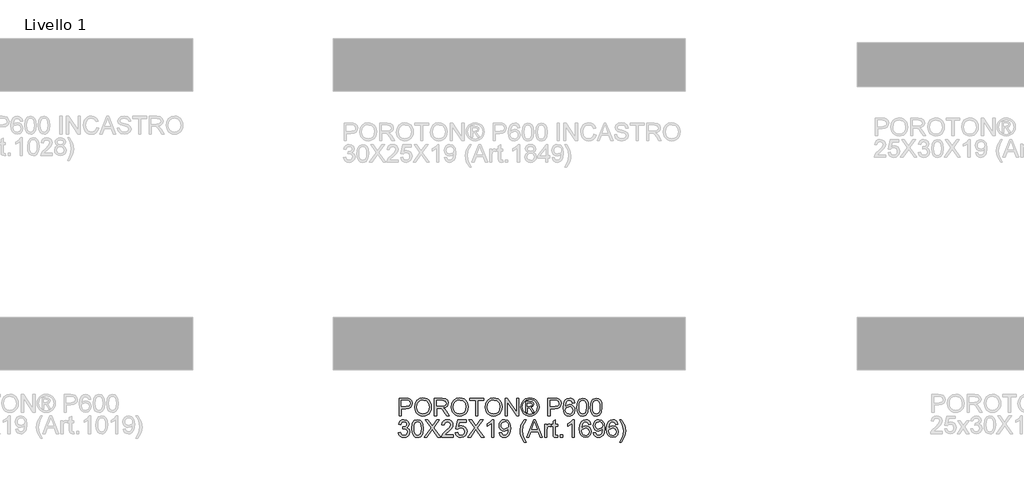
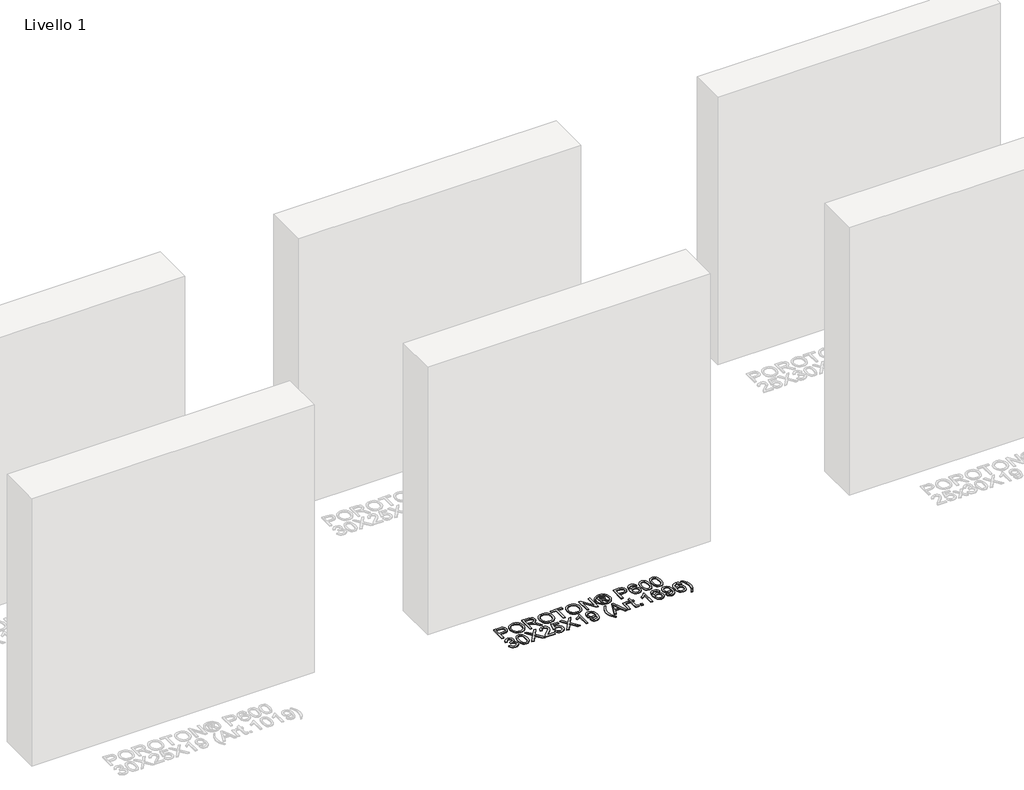
# One storey, part 4 of 11: 1 proxy.
"""IFC4 building model written with IfcOpenShell, lengths in millimetres."""

from ifc_helpers import new_model, si_unit, origin, origin_with_axes, place, context, project, spatial, polyline, outline, extrude, element, save

model = new_model("IFC4")

# Units and contexts
model_context = context("Model", 3, world=origin())
ifc_project = project(units=[si_unit("LENGTHUNIT", "METRE", prefix="MILLI")], contexts=[model_context])

# Site, building, storey
site = spatial("IfcSite", under=ifc_project)
building = spatial("IfcBuilding", under=site)
storey = spatial("IfcBuildingStorey", under=building, Name="Livello 1", Elevation=0.0)

# Proxy
placement = place(None, origin())
element("IfcBuildingElementProxy", 1, Name="100", ObjectType="100", at=placement, inside=storey, context=model_context, shape_type="SweptSolid", body=[
    extrude(outline(polyline([(-1910.8155503, 876.8304313), (-1910.8155503, 977.2867415), (-1873.5858923, 977.2867415), (-1858.5763069, 976.3302483), (-1846.3748874, 971.6336215), (-1838.4654245, 961.9215368), (-1835.4733176, 948.2240639), (-1837.4936029, 936.384395), (-1843.5544588, 926.5190262), (-1854.8882899, 919.860362), (-1872.727501, 917.6408073), (-1898.2585115, 917.6408073), (-1898.2585115, 876.8304313), (-1910.8155503, 876.8304313)]), holes=[polyline([(-1898.2585115, 930.1978461), (-1871.991737, 930.1978461), (-1853.4995354, 934.8086338), (-1849.3976512, 940.3575205), (-1848.0303564, 947.7826055), (-1851.2554552, 958.1814032), (-1859.7290039, 963.8713114), (-1872.2860426, 964.7297027), (-1898.2585115, 964.7297027), (-1898.2585115, 930.1978461)])]), origin_with_axes(), (0.0, 0.0, 1.0), 5.0),
    extrude(outline(polyline([(-1822.9162789, 925.7342112), (-1819.5685527, 947.9481524), (-1809.5253743, 964.7542282), (-1794.1908264, 975.3308355), (-1774.9689922, 978.8563713), (-1761.7926854, 977.2009024), (-1749.977542, 972.2344954), (-1740.1673554, 964.3066384), (-1733.0059193, 953.7668193), (-1728.6281235, 941.1239414), (-1727.1688583, 926.8869081), (-1728.7047656, 912.4598026), (-1733.3124876, 899.639115), (-1740.7375725, 889.0809018), (-1750.7255687, 881.441219), (-1762.4395446, 876.8059059), (-1775.0425686, 875.2608015), (-1788.4212105, 876.9683871), (-1800.3037989, 882.0911439), (-1810.08946, 890.1661537), (-1817.1773198, 900.7304983), (-1822.9162789, 925.7342112)]), holes=[polyline([(-1810.3592401, 925.6115839), (-1807.8484455, 909.8968913), (-1800.3160616, 897.9223324), (-1788.9944932, 890.3439633), (-1775.116145, 887.8178403), (-1761.0354616, 890.3684888), (-1749.6954991, 898.0204343), (-1742.2182976, 910.3628752), (-1739.725897, 926.98501), (-1743.9933282, 947.7090291), (-1756.4645278, 961.4310275), (-1774.8954158, 966.2993326), (-1788.4028164, 963.9540848), (-1799.886866, 956.9183417), (-1807.7411466, 944.4011568), (-1810.3592401, 925.6115839)])]), origin_with_axes(), (0.0, 0.0, 1.0), 5.0),
    extrude(outline(polyline([(-1709.90293, 876.8304313), (-1709.90293, 977.2867415), (-1666.6154819, 977.2867415), (-1646.5168622, 974.5766775), (-1635.5294533, 964.9872201), (-1631.4214377, 949.7936937), (-1633.1228919, 939.897668), (-1638.2272546, 931.6938996), (-1646.8878099, 925.6790289), (-1659.257842, 922.3496969), (-1652.1209312, 916.9786197), (-1641.9428627, 904.053699), (-1625.1919692, 876.8304313), (-1639.7846217, 876.8304313), (-1652.8566952, 897.6525523), (-1662.2989998, 911.4358644), (-1668.9331384, 917.9473757), (-1674.9050895, 920.3386086), (-1682.189153, 920.780067), (-1697.3458912, 920.780067), (-1697.3458912, 876.8304313), (-1709.90293, 876.8304313)]), holes=[polyline([(-1697.3458912, 933.3371058), (-1669.2397068, 933.3371058), (-1654.9045717, 935.1152021), (-1646.7621169, 940.8051103), (-1643.9784764, 949.3277099), (-1649.2882399, 960.3886952), (-1666.0759216, 964.7297027), (-1697.3458912, 964.7297027), (-1697.3458912, 933.3371058)])]), origin_with_axes(), (0.0, 0.0, 1.0), 5.0),
    extrude(outline(polyline([(-1614.1555093, 925.7342112), (-1610.8077832, 947.9481524), (-1600.7646047, 964.7542282), (-1585.4300569, 975.3308355), (-1566.2082226, 978.8563713), (-1553.0319158, 977.2009024), (-1541.2167724, 972.2344954), (-1531.4065859, 964.3066384), (-1524.2451497, 953.7668193), (-1519.867354, 941.1239414), (-1518.4080887, 926.8869081), (-1519.9439961, 912.4598026), (-1524.5517181, 899.639115), (-1531.976803, 889.0809018), (-1541.9647992, 881.441219), (-1553.678775, 876.8059059), (-1566.281799, 875.2608015), (-1579.6604409, 876.9683871), (-1591.5430294, 882.0911439), (-1601.3286904, 890.1661537), (-1608.4165502, 900.7304983), (-1614.1555093, 925.7342112)]), holes=[polyline([(-1601.5984706, 925.6115839), (-1599.087676, 909.8968913), (-1591.5552921, 897.9223324), (-1580.2337237, 890.3439633), (-1566.3553754, 887.8178403), (-1552.2746921, 890.3684888), (-1540.9347296, 898.0204343), (-1533.457528, 910.3628752), (-1530.9651275, 926.98501), (-1535.2325586, 947.7090291), (-1547.7037583, 961.4310275), (-1566.1346462, 966.2993326), (-1579.6420468, 963.9540848), (-1591.1260964, 956.9183417), (-1598.980377, 944.4011568), (-1601.5984706, 925.6115839)])]), origin_with_axes(), (0.0, 0.0, 1.0), 5.0),
    extrude(outline(polyline([(-1476.0280829, 876.8304313), (-1476.0280829, 964.7297027), (-1508.9903097, 964.7297027), (-1508.9903097, 977.2867415), (-1430.5088174, 977.2867415), (-1430.5088174, 964.7297027), (-1463.4710441, 964.7297027), (-1463.4710441, 876.8304313), (-1476.0280829, 876.8304313)])), origin_with_axes(), (0.0, 0.0, 1.0), 5.0),
    extrude(outline(polyline([(-1421.0910383, 925.7342112), (-1417.7433121, 947.9481524), (-1407.7001337, 964.7542282), (-1392.3655858, 975.3308355), (-1373.1437516, 978.8563713), (-1359.9674448, 977.2009024), (-1348.1523014, 972.2344954), (-1338.3421148, 964.3066384), (-1331.1806787, 953.7668193), (-1326.8028829, 941.1239414), (-1325.3436177, 926.8869081), (-1326.879525, 912.4598026), (-1331.487247, 899.639115), (-1338.9123319, 889.0809018), (-1348.9003281, 881.441219), (-1360.614304, 876.8059059), (-1373.217328, 875.2608015), (-1386.5959699, 876.9683871), (-1398.4785583, 882.0911439), (-1408.2642194, 890.1661537), (-1415.3520792, 900.7304983), (-1421.0910383, 925.7342112)]), holes=[polyline([(-1408.5339995, 925.6115839), (-1406.0232049, 909.8968913), (-1398.490821, 897.9223324), (-1387.1692526, 890.3439633), (-1373.2909044, 887.8178403), (-1359.210221, 890.3684888), (-1347.8702585, 898.0204343), (-1340.393057, 910.3628752), (-1337.9006564, 926.98501), (-1342.1680876, 947.7090291), (-1354.6392872, 961.4310275), (-1373.0701752, 966.2993326), (-1386.5775758, 963.9540848), (-1398.0616254, 956.9183417), (-1405.915906, 944.4011568), (-1408.5339995, 925.6115839)])]), origin_with_axes(), (0.0, 0.0, 1.0), 5.0),
    extrude(outline(polyline([(-1308.0776894, 876.8304313), (-1308.0776894, 977.2867415), (-1294.6377338, 977.2867415), (-1242.1532358, 897.7016032), (-1242.1532358, 977.2867415), (-1229.5961971, 977.2867415), (-1229.5961971, 876.8304313), (-1243.0361526, 876.8304313), (-1295.5206506, 956.4400951), (-1295.5206506, 876.8304313), (-1308.0776894, 876.8304313)])), origin_with_axes(), (0.0, 0.0, 1.0), 5.0),
    extrude(outline(polyline([(-1166.7864777, 978.8563713), (-1153.8922138, 977.1825083), (-1141.3045182, 972.160919), (-1130.2465986, 964.0245956), (-1121.9416625, 953.0065298), (-1116.7453294, 940.2839441), (-1115.0132183, 927.0340609), (-1116.7208039, 913.9006737), (-1121.8435607, 901.2823213), (-1130.0473292, 890.3041094), (-1140.9979499, 882.0911439), (-1153.6071053, 876.9683871), (-1166.7864777, 875.2608015), (-1179.9474561, 876.9683871), (-1192.5504801, 882.0911439), (-1203.5102979, 890.3041094), (-1211.7416576, 901.2823213), (-1216.8920055, 913.9006737), (-1218.6087881, 927.0340609), (-1216.86748, 940.2839441), (-1211.6435557, 953.0065298), (-1203.3110285, 964.0245956), (-1192.2439118, 972.160919), (-1179.6623476, 977.1825083), (-1166.7864777, 978.8563713)]), holes=[polyline([(-1166.7864777, 969.4385923), (-1187.6085987, 963.9571505), (-1196.637036, 957.2954207), (-1203.4643127, 948.2731148), (-1209.1910091, 927.0340609), (-1203.5746773, 905.9789481), (-1187.8538533, 890.2949124), (-1166.7864777, 884.6785806), (-1145.7068394, 890.2949124), (-1130.0228037, 905.9789481), (-1124.4309974, 927.0340609), (-1130.1209056, 948.2731148), (-1136.9297882, 957.2954207), (-1145.9766196, 963.9571505), (-1166.7864777, 969.4385923)])]), origin_with_axes(), (0.0, 0.0, 1.0), 5.0),
    extrude(outline(polyline([(-1190.3554509, 895.6659895), (-1190.3554509, 958.4511833), (-1170.0728902, 958.4511833), (-1155.0142539, 956.722138), (-1147.5953003, 950.6888732), (-1144.8361854, 941.5286116), (-1149.5941258, 929.6092349), (-1162.2002155, 923.9193267), (-1157.2951223, 920.5838633), (-1148.7357345, 908.05135), (-1141.6969257, 895.6659895), (-1152.2919271, 895.6659895), (-1157.8101571, 905.6233288), (-1167.0562579, 920.044303), (-1175.0760854, 922.3496969), (-1180.9376718, 922.3496969), (-1180.9376718, 895.6659895), (-1190.3554509, 895.6659895)]), holes=[polyline([(-1180.9376718, 931.767476), (-1169.0182952, 931.767476), (-1157.3686987, 934.1587089), (-1154.2539644, 940.498542), (-1155.7500179, 945.0602787), (-1159.9070844, 948.0523856), (-1169.7785846, 949.0334043), (-1180.9376718, 949.0334043), (-1180.9376718, 931.767476)])]), origin_with_axes(), (0.0, 0.0, 1.0), 5.0),
    extrude(outline(polyline([(-1064.7850632, 876.8304313), (-1064.7850632, 977.2867415), (-1027.5554053, 977.2867415), (-1012.5458199, 976.3302483), (-1000.3444004, 971.6336215), (-992.4349375, 961.9215368), (-989.4428306, 948.2240639), (-991.4631159, 936.384395), (-997.5239718, 926.5190262), (-1008.8578029, 919.860362), (-1026.697014, 917.6408073), (-1052.2280244, 917.6408073), (-1052.2280244, 876.8304313), (-1064.7850632, 876.8304313)]), holes=[polyline([(-1052.2280244, 930.1978461), (-1025.96125, 930.1978461), (-1007.4690484, 934.8086338), (-1003.3671641, 940.3575205), (-1001.9998694, 947.7826055), (-1005.2249682, 958.1814032), (-1013.6985168, 963.8713114), (-1026.2555556, 964.7297027), (-1052.2280244, 964.7297027), (-1052.2280244, 930.1978461)])]), origin_with_axes(), (0.0, 0.0, 1.0), 5.0),
    extrude(outline(polyline([(-912.5309681, 950.6030341), (-925.0880069, 949.0334043), (-929.8459474, 959.5057784), (-942.4275116, 964.7297027), (-953.7582771, 961.6885449), (-962.3299276, 950.2719403), (-965.8983829, 927.8924523), (-954.8251349, 937.9111053), (-941.1031364, 941.185255), (-929.5025909, 938.9473062), (-919.7659807, 932.2334598), (-913.1624989, 921.9756835), (-910.9613383, 909.105945), (-915.1061421, 891.7787031), (-926.510484, 879.5159699), (-942.9670719, 875.2608015), (-957.2133021, 878.0812301), (-968.559396, 886.542516), (-975.9814153, 901.478525), (-978.4554217, 923.723123), (-975.7085695, 948.7329673), (-967.4680128, 965.8333487), (-956.2169551, 974.4233933), (-941.6426967, 977.2867415), (-930.6246309, 975.5147765), (-921.8015944, 970.1988817), (-915.6211769, 961.7559899), (-912.5309681, 950.6030341)]), holes=[polyline([(-965.8983829, 909.3021488), (-962.9921152, 898.4251045), (-955.2665933, 890.5279043), (-943.9480905, 887.8178403), (-935.6615486, 889.2219232), (-929.1469716, 893.4341721), (-924.9255257, 900.056048), (-923.5183771, 908.6890121), (-924.9071316, 916.9755541), (-929.0733952, 923.2939273), (-935.6983368, 927.294644), (-944.4631253, 928.6282163), (-959.6566517, 923.2939273), (-964.3379501, 917.1288382), (-965.8983829, 909.3021488)])]), origin_with_axes(), (0.0, 0.0, 1.0), 5.0),
    extrude(outline(polyline([(-899.9739294, 926.249246), (-896.2828467, 955.1525081), (-885.3199632, 971.8175625), (-867.0117026, 977.2867415), (-852.3454737, 974.0493799), (-842.2164561, 964.71744), (-836.3303442, 949.8550074), (-834.0494758, 926.249246), (-837.7037703, 897.4686113), (-848.6298656, 880.7667687), (-856.8612252, 876.6372933), (-867.0117026, 875.2608015), (-880.0592507, 877.6520345), (-889.9675391, 884.8257334), (-897.4723318, 901.8157502), (-899.9739294, 926.249246)]), holes=[polyline([(-887.4168906, 926.2737715), (-885.9453626, 906.521574), (-881.5307787, 895.089641), (-874.9579537, 889.6357905), (-867.0117026, 887.8178403), (-859.0654515, 889.6419218), (-852.4926265, 895.1141665), (-848.0780426, 906.5522309), (-846.6065146, 926.2737715), (-848.0289917, 945.5814449), (-852.2964228, 957.1022827), (-858.856985, 962.8228477), (-867.1588554, 964.7297027), (-875.0192674, 963.0497083), (-881.334575, 958.0097249), (-885.8963117, 945.7715172), (-887.4168906, 926.2737715)])]), origin_with_axes(), (0.0, 0.0, 1.0), 5.0),
    extrude(outline(polyline([(-823.0620669, 926.249246), (-819.3709842, 955.1525081), (-808.4081008, 971.8175625), (-790.0998402, 977.2867415), (-775.4336113, 974.0493799), (-765.3045937, 964.71744), (-759.4184818, 949.8550074), (-757.1376134, 926.249246), (-760.7919079, 897.4686113), (-771.7180031, 880.7667687), (-779.9493628, 876.6372933), (-790.0998402, 875.2608015), (-803.1473882, 877.6520345), (-813.0556766, 884.8257334), (-820.5604694, 901.8157502), (-823.0620669, 926.249246)]), holes=[polyline([(-810.5050281, 926.2737715), (-809.0335002, 906.521574), (-804.6189162, 895.089641), (-798.0460912, 889.6357905), (-790.0998402, 887.8178403), (-782.1535891, 889.6419218), (-775.5807641, 895.1141665), (-771.1661801, 906.5522309), (-769.6946522, 926.2737715), (-771.1171292, 945.5814449), (-775.3845603, 957.1022827), (-781.9451226, 962.8228477), (-790.2469929, 964.7297027), (-798.1074049, 963.0497083), (-804.4227125, 958.0097249), (-808.9844492, 945.7715172), (-810.5050281, 926.2737715)])]), origin_with_axes(), (0.0, 0.0, 1.0), 5.0),
    extrude(outline(polyline([(-1915.5244398, 781.5393209), (-1902.967401, 783.1089507), (-1896.0389568, 769.8897244), (-1883.0772478, 765.8430224), (-1874.4688091, 767.2348426), (-1867.8224078, 771.4103033), (-1862.157025, 785.1936154), (-1867.7733568, 798.1798498), (-1882.0471782, 803.317935), (-1890.8518207, 801.9445089), (-1889.4538691, 814.5015476), (-1887.4427808, 814.3543948), (-1873.1934849, 817.9596384), (-1868.4478071, 822.5336379), (-1866.8659146, 829.0451492), (-1871.4521768, 838.8675985), (-1883.2734516, 842.7548849), (-1895.2418791, 838.8308103), (-1901.3977712, 827.0585864), (-1913.9548099, 828.6282163), (-1910.2575959, 839.9037994), (-1903.6786396, 848.3221657), (-1894.6777934, 853.5644842), (-1883.7149099, 855.3119236), (-1868.5704345, 851.8660956), (-1857.975433, 842.4483165), (-1854.3088758, 829.7809132), (-1857.791492, 818.2048931), (-1868.0921879, 809.89076), (-1854.4069777, 801.3068468), (-1849.5999863, 784.9728862), (-1852.003482, 772.7346785), (-1859.2139691, 762.507559), (-1870.0971448, 755.5913775), (-1883.5187062, 753.2859836), (-1895.6588121, 755.2541523), (-1905.542575, 761.1586583), (-1912.4158369, 770.1901613), (-1915.5244398, 781.5393209)])), origin_with_axes(), (0.0, 0.0, 1.0), 5.0),
    extrude(outline(polyline([(-1838.6125773, 804.2744282), (-1834.9214947, 833.1776903), (-1823.9586112, 849.8427446), (-1805.6503506, 855.3119236), (-1790.9841217, 852.0745621), (-1780.8551041, 842.7426221), (-1774.9689922, 827.8801895), (-1772.6881238, 804.2744282), (-1776.3424183, 775.4937934), (-1787.2685135, 758.7919508), (-1795.4998732, 754.6624754), (-1805.6503506, 753.2859836), (-1818.6978987, 755.6772166), (-1828.6061871, 762.8509155), (-1836.1109798, 779.8409323), (-1838.6125773, 804.2744282)]), holes=[polyline([(-1826.0555386, 804.2989536), (-1824.5840106, 784.5467562), (-1820.1694266, 773.1148232), (-1813.5966017, 767.6609726), (-1805.6503506, 765.8430224), (-1797.7040995, 767.667104), (-1791.1312745, 773.1393487), (-1786.7166906, 784.577413), (-1785.2451626, 804.2989536), (-1786.6676396, 823.606627), (-1790.9350708, 835.1274648), (-1797.495633, 840.8480299), (-1805.7975034, 842.7548849), (-1813.6579153, 841.0748904), (-1819.9732229, 836.0349071), (-1824.5349597, 823.7966994), (-1826.0555386, 804.2989536)])]), origin_with_axes(), (0.0, 0.0, 1.0), 5.0),
    extrude(outline(polyline([(-1767.9792343, 754.8556135), (-1729.2535229, 809.5964544), (-1761.7007149, 855.3119236), (-1746.6420785, 855.3119236), (-1728.3706061, 829.5847094), (-1722.2147141, 819.5537937), (-1715.004227, 829.7563877), (-1696.9289583, 855.3119236), (-1681.6495927, 855.3119236), (-1714.0967847, 809.4493016), (-1675.3710733, 754.8556135), (-1690.4297097, 754.8556135), (-1716.2305003, 791.2514055), (-1721.6015774, 798.8052492), (-1727.5122148, 790.5156416), (-1752.6998687, 754.8556135), (-1767.9792343, 754.8556135)])), origin_with_axes(), (0.0, 0.0, 1.0), 5.0),
    extrude(outline(polyline([(-1603.1681004, 767.4126523), (-1603.1681004, 754.8556135), (-1669.092554, 754.8556135), (-1667.7436533, 763.5131031), (-1660.1162333, 776.8426941), (-1644.3954094, 791.3985583), (-1622.7148971, 812.3187811), (-1617.294769, 826.5435516), (-1622.4083288, 838.0582581), (-1635.7624452, 842.7548849), (-1649.6806473, 838.1686227), (-1654.9658853, 825.4889566), (-1667.5229241, 827.0585864), (-1664.4787006, 839.2048236), (-1657.8966786, 848.0769111), (-1648.1202146, 853.5031705), (-1635.4926651, 855.3119236), (-1622.7731451, 853.3008354), (-1613.0150752, 847.2675707), (-1606.8070665, 838.2544618), (-1604.7377303, 827.3038411), (-1606.9695477, 815.3967272), (-1614.3885013, 803.0849431), (-1632.3779308, 785.8803284), (-1646.8234305, 773.8015362), (-1652.4888132, 767.4126523), (-1603.1681004, 767.4126523)])), origin_with_axes(), (0.0, 0.0, 1.0), 5.0),
    extrude(outline(polyline([(-1590.6110617, 781.5393209), (-1578.0540229, 783.1089507), (-1571.7264526, 770.1717672), (-1558.6053281, 765.8430224), (-1549.6044819, 767.3482729), (-1542.8599787, 771.8640244), (-1538.6477298, 778.8691107), (-1537.2436469, 787.8423657), (-1542.5043594, 802.7538493), (-1549.1109069, 806.8557335), (-1558.4091243, 808.2230283), (-1569.4333215, 806.0402618), (-1576.484393, 800.374879), (-1589.0414318, 801.9445089), (-1578.0540229, 853.7422938), (-1529.3954977, 853.7422938), (-1529.3954977, 841.185255), (-1567.9004798, 841.185255), (-1573.2715569, 813.520529), (-1564.3013676, 818.9651825), (-1554.9019827, 820.780067), (-1543.1696127, 818.5298555), (-1533.4299369, 811.7792209), (-1526.8724403, 801.4907877), (-1524.6866081, 788.6271806), (-1526.6547768, 776.0701419), (-1532.5592828, 765.3279876), (-1543.8655228, 756.2964846), (-1558.654379, 753.2859836), (-1570.9876229, 755.2204298), (-1580.8131379, 761.0237683), (-1587.548444, 770.0215487), (-1590.6110617, 781.5393209)])), origin_with_axes(), (0.0, 0.0, 1.0), 5.0),
    extrude(outline(polyline([(-1519.9777186, 754.8556135), (-1481.2520072, 809.5964544), (-1513.6991992, 855.3119236), (-1498.6405629, 855.3119236), (-1480.3690904, 829.5847094), (-1474.2131984, 819.5537937), (-1467.0027113, 829.7563877), (-1448.9274426, 855.3119236), (-1433.648077, 855.3119236), (-1466.095269, 809.4493016), (-1427.3695577, 754.8556135), (-1442.428194, 754.8556135), (-1468.2289846, 791.2514055), (-1473.6000617, 798.8052492), (-1479.5106991, 790.5156416), (-1504.698353, 754.8556135), (-1519.9777186, 754.8556135)])), origin_with_axes(), (0.0, 0.0, 1.0), 5.0),
    extrude(outline(polyline([(-1372.432513, 754.8556135), (-1384.9895518, 754.8556135), (-1384.9895518, 833.1409021), (-1396.884403, 824.6673534), (-1410.1036294, 818.3275204), (-1410.1036294, 830.1978461), (-1391.6972669, 841.9455445), (-1380.5259169, 855.3119236), (-1372.432513, 855.3119236), (-1372.432513, 754.8556135)])), origin_with_axes(), (0.0, 0.0, 1.0), 5.0),
    extrude(outline(polyline([(-1341.0399161, 779.969691), (-1328.4828774, 781.5393209), (-1322.8420201, 769.5586306), (-1312.1489168, 765.8430224), (-1301.983111, 768.2342554), (-1295.0914549, 774.6231394), (-1290.9834393, 785.5369719), (-1289.1685548, 800.1050989), (-1289.2421312, 802.5576455), (-1299.2853097, 793.0417646), (-1313.056359, 789.3874701), (-1324.5066861, 791.6192875), (-1334.0378955, 798.3147399), (-1340.4666334, 808.6583553), (-1342.609546, 821.8346621), (-1340.3624001, 835.4462959), (-1333.6209626, 846.1148738), (-1323.4950106, 853.0126612), (-1311.0943217, 855.3119236), (-1293.202994, 850.0634738), (-1280.8912099, 835.1029394), (-1276.6850924, 806.9967549), (-1280.8789472, 776.4993375), (-1286.0936745, 766.5082757), (-1293.3501468, 759.2211465), (-1302.3356646, 754.7697744), (-1312.737528, 753.2859836), (-1323.4735509, 755.0364888), (-1332.03907, 760.2880043), (-1338.0294151, 768.7094363), (-1341.0399161, 779.969691)]), holes=[polyline([(-1289.2421312, 822.1289677), (-1290.5971632, 830.6393045), (-1294.6622593, 837.187604), (-1300.9714355, 841.3630647), (-1309.058708, 842.7548849), (-1317.4464175, 841.2557657), (-1324.1663953, 836.7584084), (-1328.5809792, 829.8759494), (-1330.0525072, 821.2215254), (-1328.660687, 813.462281), (-1324.4852263, 807.3033233), (-1317.9307955, 803.2842125), (-1309.4020645, 801.9445089), (-1294.9197767, 807.3033233), (-1290.6615426, 813.6891416), (-1289.2421312, 822.1289677)])]), origin_with_axes(), (0.0, 0.0, 1.0), 5.0),
    extrude(outline(polyline([(-1198.2036001, 726.6022763), (-1216.0336142, 756.0573613), (-1221.4966618, 773.2374505), (-1223.3176777, 791.0306764), (-1217.8730241, 821.564882), (-1198.2036001, 855.3119236), (-1188.7858211, 855.3119236), (-1200.5335194, 835.4217704), (-1207.5968537, 816.1447539), (-1210.7606389, 790.9571), (-1205.2669344, 758.7674254), (-1188.7858211, 726.6022763), (-1198.2036001, 726.6022763)])), origin_with_axes(), (0.0, 0.0, 1.0), 5.0),
    extrude(outline(polyline([(-1186.3577999, 754.8556135), (-1146.2586624, 855.3119236), (-1135.5655591, 855.3119236), (-1095.4664216, 754.8556135), (-1108.7346989, 754.8556135), (-1120.2371426, 786.2482104), (-1161.6116043, 786.2482104), (-1173.0895226, 754.8556135), (-1186.3577999, 754.8556135)]), holes=[polyline([(-1157.0008167, 798.8052492), (-1124.8234048, 798.8052492), (-1133.8733019, 823.5023938), (-1140.9121108, 842.7548849), (-1147.1661047, 825.6606348), (-1157.0008167, 798.8052492)])]), origin_with_axes(), (0.0, 0.0, 1.0), 5.0),
    extrude(outline(polyline([(-1083.6206214, 754.8556135), (-1083.6206214, 828.6282163), (-1072.6332124, 828.6282163), (-1072.6332124, 817.7143837), (-1064.8341141, 827.7698249), (-1056.9859649, 830.1978461), (-1044.3798752, 826.3228224), (-1048.57373, 815.0656334), (-1057.4028978, 817.6408073), (-1064.5030204, 815.1637352), (-1069.0279689, 808.2966047), (-1071.0635826, 793.6303758), (-1071.0635826, 754.8556135), (-1083.6206214, 754.8556135)])), origin_with_axes(), (0.0, 0.0, 1.0), 5.0),
    extrude(outline(polyline([(-1009.8480186, 765.3279876), (-1008.2783888, 754.4877315), (-1017.6716424, 753.2859836), (-1028.1930674, 755.3706483), (-1033.4415172, 760.8398273), (-1034.9620961, 775.0891232), (-1034.9620961, 816.0711775), (-1044.3798752, 816.0711775), (-1044.3798752, 828.6282163), (-1034.9620961, 828.6282163), (-1034.9620961, 846.5563322), (-1022.4050574, 853.9384975), (-1022.4050574, 828.6282163), (-1009.8480186, 828.6282163), (-1009.8480186, 816.0711775), (-1022.4050574, 816.0711775), (-1022.4050574, 775.4570052), (-1021.7428698, 768.9822821), (-1019.5968915, 766.689151), (-1015.3171976, 765.8430224), (-1009.8480186, 765.3279876)])), origin_with_axes(), (0.0, 0.0, 1.0), 5.0),
    extrude(outline(polyline([(-994.1517201, 754.8556135), (-994.1517201, 767.4126523), (-981.5946814, 767.4126523), (-981.5946814, 754.8556135), (-994.1517201, 754.8556135)])), origin_with_axes(), (0.0, 0.0, 1.0), 5.0),
    extrude(outline(polyline([(-914.100598, 754.8556135), (-926.6576368, 754.8556135), (-926.6576368, 833.1409021), (-938.5524879, 824.6673534), (-951.7717143, 818.3275204), (-951.7717143, 830.1978461), (-933.3653518, 841.9455445), (-922.1940019, 855.3119236), (-914.100598, 855.3119236), (-914.100598, 754.8556135)])), origin_with_axes(), (0.0, 0.0, 1.0), 5.0),
    extrude(outline(polyline([(-819.9228072, 828.6282163), (-832.479846, 827.0585864), (-837.2377865, 837.5309605), (-849.8193507, 842.7548849), (-861.1501162, 839.713727), (-869.7217666, 828.2971225), (-873.290222, 805.9176344), (-862.2169739, 815.9362874), (-848.4949755, 819.2104372), (-836.8944299, 816.9724884), (-827.1578198, 810.258642), (-820.554338, 800.0008657), (-818.3531774, 787.1311272), (-822.4979812, 769.8038852), (-833.902323, 757.5411521), (-850.358911, 753.2859836), (-864.6051412, 756.1064123), (-875.9512351, 764.5676982), (-883.3732543, 779.5037072), (-885.8472608, 801.7483051), (-883.1004085, 826.7581494), (-874.8598518, 843.8585309), (-863.6087942, 852.4485754), (-849.0345358, 855.3119236), (-838.01647, 853.5399587), (-829.1934335, 848.2240639), (-823.013016, 839.7811721), (-819.9228072, 828.6282163)]), holes=[polyline([(-873.290222, 787.3273309), (-870.3839542, 776.4502866), (-862.6584323, 768.5530864), (-851.3399296, 765.8430224), (-843.0533877, 767.2471054), (-836.5388107, 771.4593542), (-832.3173648, 778.0812301), (-830.9102161, 786.7141943), (-832.2989707, 795.0007362), (-836.4652343, 801.3191095), (-843.0901759, 805.3198262), (-851.8549644, 806.6533984), (-867.0484908, 801.3191095), (-871.7297892, 795.1540204), (-873.290222, 787.3273309)])]), origin_with_axes(), (0.0, 0.0, 1.0), 5.0),
    extrude(outline(polyline([(-805.7961386, 779.969691), (-793.2390998, 781.5393209), (-787.5982426, 769.5586306), (-776.9051393, 765.8430224), (-766.7393335, 768.2342554), (-759.8476774, 774.6231394), (-755.7396618, 785.5369719), (-753.9247773, 800.1050989), (-753.9983537, 802.5576455), (-764.0415322, 793.0417646), (-777.8125815, 789.3874701), (-789.2629086, 791.6192875), (-798.794118, 798.3147399), (-805.2228558, 808.6583553), (-807.3657685, 821.8346621), (-805.1186226, 835.4462959), (-798.377185, 846.1148738), (-788.2512331, 853.0126612), (-775.8505442, 855.3119236), (-757.9592165, 850.0634738), (-745.6474324, 835.1029394), (-741.4413149, 806.9967549), (-745.6351697, 776.4993375), (-750.8498969, 766.5082757), (-758.1063693, 759.2211465), (-767.091887, 754.7697744), (-777.4937504, 753.2859836), (-788.2297733, 755.0364888), (-796.7952925, 760.2880043), (-802.7856376, 768.7094363), (-805.7961386, 779.969691)]), holes=[polyline([(-753.9983537, 822.1289677), (-755.3533857, 830.6393045), (-759.4184818, 837.187604), (-765.727658, 841.3630647), (-773.8149305, 842.7548849), (-782.20264, 841.2557657), (-788.9226178, 836.7584084), (-793.3372017, 829.8759494), (-794.8087297, 821.2215254), (-793.4169095, 813.462281), (-789.2414488, 807.3033233), (-782.6870179, 803.2842125), (-774.158287, 801.9445089), (-759.6759991, 807.3033233), (-755.4177651, 813.6891416), (-753.9983537, 822.1289677)])]), origin_with_axes(), (0.0, 0.0, 1.0), 5.0),
    extrude(outline(polyline([(-666.0990823, 828.6282163), (-678.6561211, 827.0585864), (-683.4140615, 837.5309605), (-695.9956258, 842.7548849), (-707.3263912, 839.713727), (-715.8980417, 828.2971225), (-719.4664971, 805.9176344), (-708.393249, 815.9362874), (-694.6712506, 819.2104372), (-683.070705, 816.9724884), (-673.3340949, 810.258642), (-666.7306131, 800.0008657), (-664.5294525, 787.1311272), (-668.6742563, 769.8038852), (-680.0785981, 757.5411521), (-696.535186, 753.2859836), (-710.7814163, 756.1064123), (-722.1275102, 764.5676982), (-729.5495294, 779.5037072), (-732.0235358, 801.7483051), (-729.2766836, 826.7581494), (-721.0361269, 843.8585309), (-709.7850692, 852.4485754), (-695.2108109, 855.3119236), (-684.1927451, 853.5399587), (-675.3697086, 848.2240639), (-669.1892911, 839.7811721), (-666.0990823, 828.6282163)]), holes=[polyline([(-719.4664971, 787.3273309), (-716.5602293, 776.4502866), (-708.8347074, 768.5530864), (-697.5162047, 765.8430224), (-689.2296628, 767.2471054), (-682.7150858, 771.4593542), (-678.4936399, 778.0812301), (-677.0864912, 786.7141943), (-678.4752458, 795.0007362), (-682.6415094, 801.3191095), (-689.266451, 805.3198262), (-698.0312395, 806.6533984), (-713.2247659, 801.3191095), (-717.9060643, 795.1540204), (-719.4664971, 787.3273309)])]), origin_with_axes(), (0.0, 0.0, 1.0), 5.0),
    extrude(outline(polyline([(-647.2635242, 726.6022763), (-656.6813032, 726.6022763), (-640.2001898, 758.7674254), (-634.7064854, 790.9571), (-637.8702705, 815.9240247), (-644.8600285, 835.2255667), (-656.6813032, 855.3119236), (-647.2635242, 855.3119236), (-627.5941001, 821.564882), (-622.1494466, 791.0306764), (-623.9796595, 773.2374505), (-629.4702983, 756.0573613), (-647.2635242, 726.6022763)])), origin_with_axes(), (0.0, 0.0, 1.0), 5.0),
])

save(model, "model.ifc")
